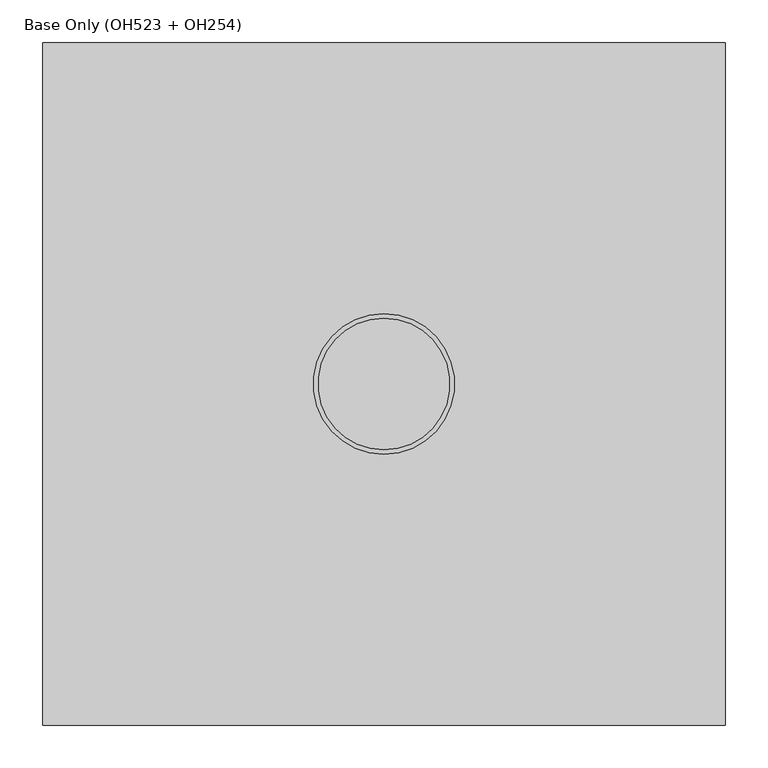
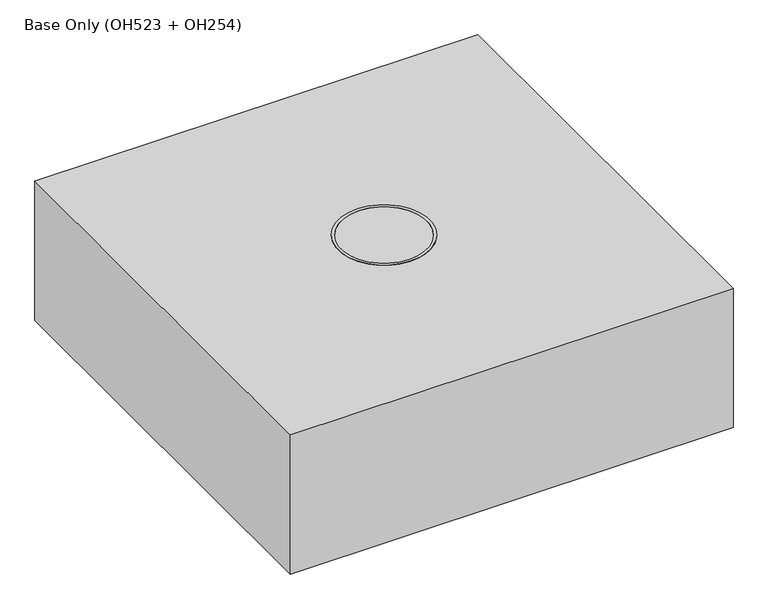
"""IFC4 building model written with IfcOpenShell, lengths in millimetres: proxy geometry, Base Only (OH523 + OH254)."""

from ifc_helpers import new_model, si_unit, frame, origin, origin_with_axes, place, context, project, spatial, polyline, circle_curve, outline, extrude, source, transform, mapped, element, save
from ifc_brep_helpers import plane_surface, cylinder_surface, revolved_surface, advanced_brep


def base_only_oh523_oh254_0311ad5f(model_context):
    return source(origin(), model_context, "Body", "SolidModel", [
        advanced_brep(
        [(180.0, 200.0, 16.0), (-180.0, 200.0, 16.0), (-200.0, 180.0, 16.0), (-200.0, -180.0, 16.0), (-180.0, -200.0, 16.0), (180.0, -200.0, 16.0), (200.0, -180.0, 16.0), (200.0, 180.0, 16.0), (-150.0, -141.0, 16.0), (-150.0, -159.0, 16.0), (-150.0, 159.0, 16.0), (-150.0, 141.0, 16.0), (150.0, -141.0, 16.0), (150.0, -159.0, 16.0), (150.0, 159.0, 16.0), (150.0, 141.0, 16.0), (-87.5021074, 10.5, 16.0), (-187.4978926, 10.5, 16.0), (-187.4978926, 22.5, 16.0), (-87.5021074, 22.5, 16.0), (187.4978926, 10.5, 16.0), (87.5021074, 10.5, 16.0), (87.5021074, 22.5, 16.0), (187.4978926, 22.5, 16.0), (-187.4978926, -10.5, 16.0), (-87.5021074, -10.5, 16.0), (-87.5021074, -22.5, 16.0), (-187.4978926, -22.5, 16.0), (87.5021074, -10.5, 16.0), (187.4978926, -10.5, 16.0), (187.4978926, -22.5, 16.0), (87.5021074, -22.5, 16.0), (10.0, -187.4978926, 16.0), (10.0, -87.5021074, 16.0), (22.5, -87.5021074, 16.0), (22.5, -187.4978926, 16.0), (10.0, 87.5021074, 16.0), (10.0, 187.4978926, 16.0), (22.5, 187.4978926, 16.0), (22.5, 87.5021074, 16.0), (-10.0, -87.5021074, 16.0), (-10.0, -187.4978926, 16.0), (-22.5, -187.4978926, 16.0), (-22.5, -87.5021074, 16.0), (-10.0, 187.4978926, 16.0), (-10.0, 87.5021074, 16.0), (-22.5, 87.5021074, 16.0), (-22.5, 187.4978926, 16.0), (180.0, 200.0, 0.0), (200.0, 180.0, 0.0), (200.0, -180.0, 0.0), (180.0, -200.0, 0.0), (-180.0, -200.0, 0.0), (-200.0, -180.0, 0.0), (-200.0, 180.0, 0.0), (-180.0, 200.0, 0.0), (-150.0, -141.0, 0.0), (-150.0, -159.0, 0.0), (-150.0, 159.0, 0.0), (-150.0, 141.0, 0.0), (150.0, -141.0, 0.0), (150.0, -159.0, 0.0), (150.0, 159.0, 0.0), (150.0, 141.0, 0.0), (-120.3193518, 10.5, 62.8678822), (-124.415112, 10.5, 65.0), (-150.584888, 10.5, 65.0), (-154.6806482, 10.5, 62.8678822), (-146.75, 10.5, 41.0), (-128.35, 10.5, 41.0), (154.6806482, 10.5, 62.8678822), (150.584888, 10.5, 65.0), (124.415112, 10.5, 65.0), (120.3193518, 10.5, 62.8678822), (128.35, 10.5, 41.0), (146.75, 10.5, 41.0), (-154.6806482, 22.5, 62.8678822), (-150.584888, 22.5, 65.0), (-124.415112, 22.5, 65.0), (-120.3193518, 22.5, 62.8678822), (-146.75, 22.5, 41.0), (-128.35, 22.5, 41.0), (120.3193518, 22.5, 62.8678822), (124.415112, 22.5, 65.0), (150.584888, 22.5, 65.0), (154.6806482, 22.5, 62.8678822), (128.35, 22.5, 41.0), (146.75, 22.5, 41.0), (-154.6806482, -10.5, 62.8678822), (-150.584888, -10.5, 65.0), (-124.415112, -10.5, 65.0), (-120.3193518, -10.5, 62.8678822), (-146.75, -10.5, 41.0), (-128.35, -10.5, 41.0), (120.3193518, -10.5, 62.8678822), (124.415112, -10.5, 65.0), (150.584888, -10.5, 65.0), (154.6806482, -10.5, 62.8678822), (128.35, -10.5, 41.0), (146.75, -10.5, 41.0), (-120.3193518, -22.5, 62.8678822), (-124.415112, -22.5, 65.0), (-150.584888, -22.5, 65.0), (-154.6806482, -22.5, 62.8678822), (-146.75, -22.5, 41.0), (-128.35, -22.5, 41.0), (154.6806482, -22.5, 62.8678822), (150.584888, -22.5, 65.0), (124.415112, -22.5, 65.0), (120.3193518, -22.5, 62.8678822), (128.35, -22.5, 41.0), (146.75, -22.5, 41.0), (10.0, -154.6806482, 62.8678822), (10.0, -150.584888, 65.0), (10.0, -124.415112, 65.0), (10.0, -120.3193518, 62.8678822), (10.0, -146.75, 41.0), (10.0, -128.35, 41.0), (10.0, 120.3193518, 62.8678822), (10.0, 124.415112, 65.0), (10.0, 150.584888, 65.0), (10.0, 154.6806482, 62.8678822), (10.0, 128.35, 41.0), (10.0, 146.75, 41.0), (22.5, -120.3193518, 62.8678822), (22.5, -124.415112, 65.0), (22.5, -150.584888, 65.0), (22.5, -154.6806482, 62.8678822), (22.5, -146.75, 41.0), (22.5, -128.35, 41.0), (22.5, 154.6806482, 62.8678822), (22.5, 150.584888, 65.0), (22.5, 124.415112, 65.0), (22.5, 120.3193518, 62.8678822), (22.5, 128.35, 41.0), (22.5, 146.75, 41.0), (-10.0, -120.3193518, 62.8678822), (-10.0, -124.415112, 65.0), (-10.0, -150.584888, 65.0), (-10.0, -154.6806482, 62.8678822), (-10.0, -146.75, 41.0), (-10.0, -128.35, 41.0), (-10.0, 154.6806482, 62.8678822), (-10.0, 150.584888, 65.0), (-10.0, 124.415112, 65.0), (-10.0, 120.3193518, 62.8678822), (-10.0, 128.35, 41.0), (-10.0, 146.75, 41.0), (-22.5, -154.6806482, 62.8678822), (-22.5, -150.584888, 65.0), (-22.5, -124.415112, 65.0), (-22.5, -120.3193518, 62.8678822), (-22.5, -146.75, 41.0), (-22.5, -128.35, 41.0), (-22.5, 120.3193518, 62.8678822), (-22.5, 124.415112, 65.0), (-22.5, 150.584888, 65.0), (-22.5, 154.6806482, 62.8678822), (-22.5, 128.35, 41.0), (-22.5, 146.75, 41.0)],
        [
            (0, 1),
            (1, 2, circle_curve(frame((-180.0, 180.0, 16.0), z_axis=(0.0, 0.0, 1.0), x_axis=(0.0, -1.0, 0.0)), 20.0)),
            (2, 3),
            (3, 4, circle_curve(frame((-180.0, -180.0, 16.0), z_axis=(0.0, 0.0, 1.0), x_axis=(0.0, -1.0, 0.0)), 20.0)),
            (4, 5),
            (5, 6, circle_curve(frame((180.0, -180.0, 16.0), z_axis=(0.0, 0.0, 1.0), x_axis=(0.0, -1.0, 0.0)), 20.0)),
            (6, 7),
            (7, 0, circle_curve(frame((180.0, 180.0, 16.0), z_axis=(0.0, 0.0, 1.0), x_axis=(0.0, -1.0, 0.0)), 20.0)),
            (8, 9, circle_curve(frame((-150.0, -150.0, 16.0), z_axis=(0.0, 0.0, -1.0), x_axis=(0.0, -1.0, 0.0)), 9.0)),
            (9, 8, circle_curve(frame((-150.0, -150.0, 16.0), z_axis=(0.0, 0.0, -1.0), x_axis=(0.0, -1.0, 0.0)), 9.0)),
            (10, 11, circle_curve(frame((-150.0, 150.0, 16.0), z_axis=(0.0, 0.0, -1.0), x_axis=(0.0, -1.0, 0.0)), 9.0)),
            (11, 10, circle_curve(frame((-150.0, 150.0, 16.0), z_axis=(0.0, 0.0, -1.0), x_axis=(0.0, -1.0, 0.0)), 9.0)),
            (12, 13, circle_curve(frame((150.0, -150.0, 16.0), z_axis=(0.0, 0.0, -1.0), x_axis=(0.0, -1.0, 0.0)), 9.0)),
            (13, 12, circle_curve(frame((150.0, -150.0, 16.0), z_axis=(0.0, 0.0, -1.0), x_axis=(0.0, -1.0, 0.0)), 9.0)),
            (14, 15, circle_curve(frame((150.0, 150.0, 16.0), z_axis=(0.0, 0.0, -1.0), x_axis=(0.0, -1.0, 0.0)), 9.0)),
            (15, 14, circle_curve(frame((150.0, 150.0, 16.0), z_axis=(0.0, 0.0, -1.0), x_axis=(0.0, -1.0, 0.0)), 9.0)),
            (16, 17),
            (17, 18),
            (18, 19),
            (19, 16),
            (20, 21),
            (21, 22),
            (22, 23),
            (23, 20),
            (24, 25),
            (25, 26),
            (26, 27),
            (27, 24),
            (28, 29),
            (29, 30),
            (30, 31),
            (31, 28),
            (32, 33),
            (33, 34),
            (34, 35),
            (35, 32),
            (36, 37),
            (37, 38),
            (38, 39),
            (39, 36),
            (40, 41),
            (41, 42),
            (42, 43),
            (43, 40),
            (44, 45),
            (45, 46),
            (46, 47),
            (47, 44),
            (48, 49, circle_curve(frame((180.0, 180.0, 0.0), z_axis=(0.0, 0.0, -1.0), x_axis=(0.0, -1.0, 0.0)), 20.0)),
            (49, 50),
            (50, 51, circle_curve(frame((180.0, -180.0, 0.0), z_axis=(0.0, 0.0, -1.0), x_axis=(0.0, -1.0, 0.0)), 20.0)),
            (51, 52),
            (52, 53, circle_curve(frame((-180.0, -180.0, 0.0), z_axis=(0.0, 0.0, -1.0), x_axis=(0.0, -1.0, 0.0)), 20.0)),
            (53, 54),
            (54, 55, circle_curve(frame((-180.0, 180.0, 0.0), z_axis=(0.0, 0.0, -1.0), x_axis=(0.0, -1.0, 0.0)), 20.0)),
            (55, 48),
            (56, 57, circle_curve(frame((-150.0, -150.0, 0.0), z_axis=(0.0, 0.0, 1.0), x_axis=(0.0, -1.0, 0.0)), 9.0)),
            (57, 56, circle_curve(frame((-150.0, -150.0, 0.0), z_axis=(0.0, 0.0, 1.0), x_axis=(0.0, -1.0, 0.0)), 9.0)),
            (58, 59, circle_curve(frame((-150.0, 150.0, 0.0), z_axis=(0.0, 0.0, 1.0), x_axis=(0.0, -1.0, 0.0)), 9.0)),
            (59, 58, circle_curve(frame((-150.0, 150.0, 0.0), z_axis=(0.0, 0.0, 1.0), x_axis=(0.0, -1.0, 0.0)), 9.0)),
            (60, 61, circle_curve(frame((150.0, -150.0, 0.0), z_axis=(0.0, 0.0, 1.0), x_axis=(0.0, -1.0, 0.0)), 9.0)),
            (61, 60, circle_curve(frame((150.0, -150.0, 0.0), z_axis=(0.0, 0.0, 1.0), x_axis=(0.0, -1.0, 0.0)), 9.0)),
            (62, 63, circle_curve(frame((150.0, 150.0, 0.0), z_axis=(0.0, 0.0, 1.0), x_axis=(0.0, -1.0, 0.0)), 9.0)),
            (63, 62, circle_curve(frame((150.0, 150.0, 0.0), z_axis=(0.0, 0.0, 1.0), x_axis=(0.0, -1.0, 0.0)), 9.0)),
            (0, 48),
            (55, 1),
            (54, 2),
            (53, 3),
            (52, 4),
            (51, 5),
            (50, 6),
            (49, 7),
            (8, 56),
            (57, 9),
            (10, 58),
            (59, 11),
            (12, 60),
            (61, 13),
            (14, 62),
            (63, 15),
            (16, 64),
            (64, 65, circle_curve(frame((-124.415112, 10.5, 60.0), z_axis=(0.0, -1.0, 0.0), x_axis=(1.0, 0.0, 0.0)), 5.0)),
            (65, 66),
            (66, 67, circle_curve(frame((-150.584888, 10.5, 60.0), z_axis=(0.0, -1.0, 0.0), x_axis=(1.0, 0.0, 0.0)), 5.0)),
            (67, 17),
            (68, 69, circle_curve(frame((-137.55, 10.5, 41.0), z_axis=(0.0, 1.0, 0.0), x_axis=(1.0, 0.0, 0.0)), 9.2)),
            (69, 68, circle_curve(frame((-137.55, 10.5, 41.0), z_axis=(0.0, 1.0, 0.0), x_axis=(1.0, 0.0, 0.0)), 9.2)),
            (20, 70),
            (70, 71, circle_curve(frame((150.584888, 10.5, 60.0), z_axis=(0.0, -1.0, 0.0), x_axis=(1.0, 0.0, 0.0)), 5.0)),
            (71, 72),
            (72, 73, circle_curve(frame((124.415112, 10.5, 60.0), z_axis=(0.0, -1.0, 0.0), x_axis=(1.0, 0.0, 0.0)), 5.0)),
            (73, 21),
            (74, 75, circle_curve(frame((137.55, 10.5, 41.0), z_axis=(0.0, 1.0, 0.0), x_axis=(1.0, 0.0, 0.0)), 9.2)),
            (75, 74, circle_curve(frame((137.55, 10.5, 41.0), z_axis=(0.0, 1.0, 0.0), x_axis=(1.0, 0.0, 0.0)), 9.2)),
            (18, 76),
            (76, 77, circle_curve(frame((-150.584888, 22.5, 60.0), z_axis=(0.0, 1.0, 0.0), x_axis=(1.0, 0.0, 0.0)), 5.0)),
            (77, 78),
            (78, 79, circle_curve(frame((-124.415112, 22.5, 60.0), z_axis=(0.0, 1.0, 0.0), x_axis=(1.0, 0.0, 0.0)), 5.0)),
            (79, 19),
            (80, 81, circle_curve(frame((-137.55, 22.5, 41.0), z_axis=(0.0, -1.0, 0.0), x_axis=(1.0, 0.0, 0.0)), 9.2)),
            (81, 80, circle_curve(frame((-137.55, 22.5, 41.0), z_axis=(0.0, -1.0, 0.0), x_axis=(1.0, 0.0, 0.0)), 9.2)),
            (22, 82),
            (82, 83, circle_curve(frame((124.415112, 22.5, 60.0), z_axis=(0.0, 1.0, 0.0), x_axis=(1.0, 0.0, 0.0)), 5.0)),
            (83, 84),
            (84, 85, circle_curve(frame((150.584888, 22.5, 60.0), z_axis=(0.0, 1.0, 0.0), x_axis=(1.0, 0.0, 0.0)), 5.0)),
            (85, 23),
            (86, 87, circle_curve(frame((137.55, 22.5, 41.0), z_axis=(0.0, -1.0, 0.0), x_axis=(1.0, 0.0, 0.0)), 9.2)),
            (87, 86, circle_curve(frame((137.55, 22.5, 41.0), z_axis=(0.0, -1.0, 0.0), x_axis=(1.0, 0.0, 0.0)), 9.2)),
            (79, 64),
            (78, 65),
            (77, 66),
            (76, 67),
            (85, 70),
            (84, 71),
            (83, 72),
            (82, 73),
            (68, 80),
            (81, 69),
            (74, 86),
            (87, 75),
            (24, 88),
            (88, 89, circle_curve(frame((-150.584888, -10.5, 60.0), z_axis=(0.0, 1.0, 0.0), x_axis=(1.0, 0.0, 0.0)), 5.0)),
            (89, 90),
            (90, 91, circle_curve(frame((-124.415112, -10.5, 60.0), z_axis=(0.0, 1.0, 0.0), x_axis=(1.0, 0.0, 0.0)), 5.0)),
            (91, 25),
            (92, 93, circle_curve(frame((-137.55, -10.5, 41.0), z_axis=(0.0, -1.0, 0.0), x_axis=(1.0, 0.0, 0.0)), 9.2)),
            (93, 92, circle_curve(frame((-137.55, -10.5, 41.0), z_axis=(0.0, -1.0, 0.0), x_axis=(1.0, 0.0, 0.0)), 9.2)),
            (28, 94),
            (94, 95, circle_curve(frame((124.415112, -10.5, 60.0), z_axis=(0.0, 1.0, 0.0), x_axis=(1.0, 0.0, 0.0)), 5.0)),
            (95, 96),
            (96, 97, circle_curve(frame((150.584888, -10.5, 60.0), z_axis=(0.0, 1.0, 0.0), x_axis=(1.0, 0.0, 0.0)), 5.0)),
            (97, 29),
            (98, 99, circle_curve(frame((137.55, -10.5, 41.0), z_axis=(0.0, -1.0, 0.0), x_axis=(1.0, 0.0, 0.0)), 9.2)),
            (99, 98, circle_curve(frame((137.55, -10.5, 41.0), z_axis=(0.0, -1.0, 0.0), x_axis=(1.0, 0.0, 0.0)), 9.2)),
            (26, 100),
            (100, 101, circle_curve(frame((-124.415112, -22.5, 60.0), z_axis=(0.0, -1.0, 0.0), x_axis=(1.0, 0.0, 0.0)), 5.0)),
            (101, 102),
            (102, 103, circle_curve(frame((-150.584888, -22.5, 60.0), z_axis=(0.0, -1.0, 0.0), x_axis=(1.0, 0.0, 0.0)), 5.0)),
            (103, 27),
            (104, 105, circle_curve(frame((-137.55, -22.5, 41.0), z_axis=(0.0, 1.0, 0.0), x_axis=(1.0, 0.0, 0.0)), 9.2)),
            (105, 104, circle_curve(frame((-137.55, -22.5, 41.0), z_axis=(0.0, 1.0, 0.0), x_axis=(1.0, 0.0, 0.0)), 9.2)),
            (30, 106),
            (106, 107, circle_curve(frame((150.584888, -22.5, 60.0), z_axis=(0.0, -1.0, 0.0), x_axis=(1.0, 0.0, 0.0)), 5.0)),
            (107, 108),
            (108, 109, circle_curve(frame((124.415112, -22.5, 60.0), z_axis=(0.0, -1.0, 0.0), x_axis=(1.0, 0.0, 0.0)), 5.0)),
            (109, 31),
            (110, 111, circle_curve(frame((137.55, -22.5, 41.0), z_axis=(0.0, 1.0, 0.0), x_axis=(1.0, 0.0, 0.0)), 9.2)),
            (111, 110, circle_curve(frame((137.55, -22.5, 41.0), z_axis=(0.0, 1.0, 0.0), x_axis=(1.0, 0.0, 0.0)), 9.2)),
            (91, 100),
            (90, 101),
            (89, 102),
            (88, 103),
            (97, 106),
            (96, 107),
            (95, 108),
            (94, 109),
            (93, 105),
            (104, 92),
            (99, 111),
            (110, 98),
            (32, 112),
            (112, 113, circle_curve(frame((10.0, -150.584888, 60.0), z_axis=(-1.0, 0.0, 0.0), x_axis=(0.0, 1.0, 0.0)), 5.0)),
            (113, 114),
            (114, 115, circle_curve(frame((10.0, -124.415112, 60.0), z_axis=(-1.0, 0.0, 0.0), x_axis=(0.0, 1.0, 0.0)), 5.0)),
            (115, 33),
            (116, 117, circle_curve(frame((10.0, -137.55, 41.0), z_axis=(1.0, 0.0, 0.0), x_axis=(0.0, 1.0, 0.0)), 9.2)),
            (117, 116, circle_curve(frame((10.0, -137.55, 41.0), z_axis=(1.0, 0.0, 0.0), x_axis=(0.0, 1.0, 0.0)), 9.2)),
            (36, 118),
            (118, 119, circle_curve(frame((10.0, 124.415112, 60.0), z_axis=(-1.0, 0.0, 0.0), x_axis=(0.0, 1.0, 0.0)), 5.0)),
            (119, 120),
            (120, 121, circle_curve(frame((10.0, 150.584888, 60.0), z_axis=(-1.0, 0.0, 0.0), x_axis=(0.0, 1.0, 0.0)), 5.0)),
            (121, 37),
            (122, 123, circle_curve(frame((10.0, 137.55, 41.0), z_axis=(1.0, 0.0, 0.0), x_axis=(0.0, 1.0, 0.0)), 9.2)),
            (123, 122, circle_curve(frame((10.0, 137.55, 41.0), z_axis=(1.0, 0.0, 0.0), x_axis=(0.0, 1.0, 0.0)), 9.2)),
            (34, 124),
            (124, 125, circle_curve(frame((22.5, -124.415112, 60.0), z_axis=(1.0, 0.0, 0.0), x_axis=(0.0, 1.0, 0.0)), 5.0)),
            (125, 126),
            (126, 127, circle_curve(frame((22.5, -150.584888, 60.0), z_axis=(1.0, 0.0, 0.0), x_axis=(0.0, 1.0, 0.0)), 5.0)),
            (127, 35),
            (128, 129, circle_curve(frame((22.5, -137.55, 41.0), z_axis=(-1.0, 0.0, 0.0), x_axis=(0.0, 1.0, 0.0)), 9.2)),
            (129, 128, circle_curve(frame((22.5, -137.55, 41.0), z_axis=(-1.0, 0.0, 0.0), x_axis=(0.0, 1.0, 0.0)), 9.2)),
            (38, 130),
            (130, 131, circle_curve(frame((22.5, 150.584888, 60.0), z_axis=(1.0, 0.0, 0.0), x_axis=(0.0, 1.0, 0.0)), 5.0)),
            (131, 132),
            (132, 133, circle_curve(frame((22.5, 124.415112, 60.0), z_axis=(1.0, 0.0, 0.0), x_axis=(0.0, 1.0, 0.0)), 5.0)),
            (133, 39),
            (134, 135, circle_curve(frame((22.5, 137.55, 41.0), z_axis=(-1.0, 0.0, 0.0), x_axis=(0.0, 1.0, 0.0)), 9.2)),
            (135, 134, circle_curve(frame((22.5, 137.55, 41.0), z_axis=(-1.0, 0.0, 0.0), x_axis=(0.0, 1.0, 0.0)), 9.2)),
            (115, 124),
            (114, 125),
            (113, 126),
            (112, 127),
            (121, 130),
            (120, 131),
            (119, 132),
            (118, 133),
            (117, 129),
            (128, 116),
            (123, 135),
            (134, 122),
            (40, 136),
            (136, 137, circle_curve(frame((-10.0, -124.415112, 60.0), z_axis=(1.0, 0.0, 0.0), x_axis=(0.0, 1.0, 0.0)), 5.0)),
            (137, 138),
            (138, 139, circle_curve(frame((-10.0, -150.584888, 60.0), z_axis=(1.0, 0.0, 0.0), x_axis=(0.0, 1.0, 0.0)), 5.0)),
            (139, 41),
            (140, 141, circle_curve(frame((-10.0, -137.55, 41.0), z_axis=(-1.0, 0.0, 0.0), x_axis=(0.0, 1.0, 0.0)), 9.2)),
            (141, 140, circle_curve(frame((-10.0, -137.55, 41.0), z_axis=(-1.0, 0.0, 0.0), x_axis=(0.0, 1.0, 0.0)), 9.2)),
            (44, 142),
            (142, 143, circle_curve(frame((-10.0, 150.584888, 60.0), z_axis=(1.0, 0.0, 0.0), x_axis=(0.0, 1.0, 0.0)), 5.0)),
            (143, 144),
            (144, 145, circle_curve(frame((-10.0, 124.415112, 60.0), z_axis=(1.0, 0.0, 0.0), x_axis=(0.0, 1.0, 0.0)), 5.0)),
            (145, 45),
            (146, 147, circle_curve(frame((-10.0, 137.55, 41.0), z_axis=(-1.0, 0.0, 0.0), x_axis=(0.0, 1.0, 0.0)), 9.2)),
            (147, 146, circle_curve(frame((-10.0, 137.55, 41.0), z_axis=(-1.0, 0.0, 0.0), x_axis=(0.0, 1.0, 0.0)), 9.2)),
            (42, 148),
            (148, 149, circle_curve(frame((-22.5, -150.584888, 60.0), z_axis=(-1.0, 0.0, 0.0), x_axis=(0.0, 1.0, 0.0)), 5.0)),
            (149, 150),
            (150, 151, circle_curve(frame((-22.5, -124.415112, 60.0), z_axis=(-1.0, 0.0, 0.0), x_axis=(0.0, 1.0, 0.0)), 5.0)),
            (151, 43),
            (152, 153, circle_curve(frame((-22.5, -137.55, 41.0), z_axis=(1.0, 0.0, 0.0), x_axis=(0.0, 1.0, 0.0)), 9.2)),
            (153, 152, circle_curve(frame((-22.5, -137.55, 41.0), z_axis=(1.0, 0.0, 0.0), x_axis=(0.0, 1.0, 0.0)), 9.2)),
            (46, 154),
            (154, 155, circle_curve(frame((-22.5, 124.415112, 60.0), z_axis=(-1.0, 0.0, 0.0), x_axis=(0.0, 1.0, 0.0)), 5.0)),
            (155, 156),
            (156, 157, circle_curve(frame((-22.5, 150.584888, 60.0), z_axis=(-1.0, 0.0, 0.0), x_axis=(0.0, 1.0, 0.0)), 5.0)),
            (157, 47),
            (158, 159, circle_curve(frame((-22.5, 137.55, 41.0), z_axis=(1.0, 0.0, 0.0), x_axis=(0.0, 1.0, 0.0)), 9.2)),
            (159, 158, circle_curve(frame((-22.5, 137.55, 41.0), z_axis=(1.0, 0.0, 0.0), x_axis=(0.0, 1.0, 0.0)), 9.2)),
            (151, 136),
            (150, 137),
            (149, 138),
            (148, 139),
            (157, 142),
            (156, 143),
            (155, 144),
            (154, 145),
            (140, 152),
            (153, 141),
            (146, 158),
            (159, 147),
        ],
        [
            plane_surface(frame((-180.0, 200.0, 16.0), z_axis=(0.0, 0.0, 1.0), x_axis=(-1.0, 0.0, 0.0))),
            plane_surface(frame((-180.0, 200.0, 0.0), z_axis=(0.0, 0.0, -1.0), x_axis=(1.0, 0.0, 0.0))),
            plane_surface(frame((180.0, 200.0, 16.0), z_axis=(0.0, 1.0, 0.0), x_axis=(0.0, 0.0, -1.0))),
            cylinder_surface(frame((-180.0, 180.0, 0.0), z_axis=(0.0, 0.0, 1.0), x_axis=(0.0, -1.0, 0.0)), 20.0),
            plane_surface(frame((-200.0, 180.0, 16.0), z_axis=(-1.0, 0.0, 0.0), x_axis=(0.0, 0.0, -1.0))),
            cylinder_surface(frame((-180.0, -180.0, 0.0), z_axis=(0.0, 0.0, 1.0), x_axis=(0.0, -1.0, 0.0)), 20.0),
            plane_surface(frame((-180.0, -200.0, 16.0), z_axis=(0.0, -1.0, 0.0), x_axis=(0.0, 0.0, -1.0))),
            cylinder_surface(frame((180.0, -180.0, 0.0), z_axis=(0.0, 0.0, 1.0), x_axis=(0.0, -1.0, 0.0)), 20.0),
            plane_surface(frame((200.0, -180.0, 16.0), z_axis=(1.0, 0.0, 0.0), x_axis=(0.0, 0.0, -1.0))),
            cylinder_surface(frame((180.0, 180.0, 0.0), z_axis=(0.0, 0.0, 1.0), x_axis=(0.0, -1.0, 0.0)), 20.0),
            revolved_surface(polyline([(-150.0, -159.0, 0.0), (-150.0, -159.0, 16.0)]), (-150.0, -150.0, 0.0), (0.0, 0.0, -1.0)),
            revolved_surface(polyline([(-150.0, 141.0, 0.0), (-150.0, 141.0, 16.0)]), (-150.0, 150.0, 0.0), (0.0, 0.0, -1.0)),
            revolved_surface(polyline([(150.0, -159.0, 0.0), (150.0, -159.0, 16.0)]), (150.0, -150.0, 0.0), (0.0, 0.0, -1.0)),
            revolved_surface(polyline([(150.0, 141.0, 0.0), (150.0, 141.0, 16.0)]), (150.0, 150.0, 0.0), (0.0, 0.0, -1.0)),
            plane_surface(frame((-187.4978926, 10.5, 16.0), z_axis=(0.0, -1.0, 0.0), x_axis=(1.0, 0.0, 0.0))),
            plane_surface(frame((-187.4978926, 22.5, 16.0), z_axis=(0.0, 1.0, 0.0), x_axis=(-1.0, 0.0, 0.0))),
            plane_surface(frame((-87.5021074, 10.5, 16.0), z_axis=(0.819152044289008, 0.0, 0.5735764363510231), x_axis=(0.0, 1.0, 0.0))),
            cylinder_surface(frame((-124.415112, 22.5, 60.0), z_axis=(0.0, -1.0, 0.0), x_axis=(1.0, 0.0, 0.0)), 5.0),
            plane_surface(frame((-124.415112, 10.5, 65.0), z_axis=(0.0, 0.0, 1.0), x_axis=(0.0, 1.0, 0.0))),
            cylinder_surface(frame((-150.584888, 22.5, 60.0), z_axis=(0.0, -1.0, 0.0), x_axis=(1.0, 0.0, 0.0)), 5.0),
            plane_surface(frame((-154.6806482, 10.5, 62.8678822), z_axis=(-0.8191520442889948, 0.0, 0.5735764363510419), x_axis=(0.0, 1.0, 0.0))),
            plane_surface(frame((187.4978926, 10.5, 16.0), z_axis=(0.8191520442889941, 0.0, 0.5735764363510429), x_axis=(0.0, 1.0, 0.0))),
            cylinder_surface(frame((150.584888, 0.0, 60.0), z_axis=(0.0, -1.0, 0.0), x_axis=(1.0, 0.0, 0.0)), 5.0),
            plane_surface(frame((150.584888, 10.5, 65.0), z_axis=(0.0, 0.0, 1.0), x_axis=(0.0, 1.0, 0.0))),
            cylinder_surface(frame((124.415112, 0.0, 60.0), z_axis=(0.0, -1.0, 0.0), x_axis=(1.0, 0.0, 0.0)), 5.0),
            plane_surface(frame((120.3193518, 10.5, 62.8678822), z_axis=(-0.819152044289007, 0.0, 0.5735764363510244), x_axis=(0.0, 1.0, 0.0))),
            revolved_surface(polyline([(-128.35000000000002, 22.5, 41.0), (-128.35000000000002, 10.5, 41.0)]), (-137.55, 0.0, 41.0), (0.0, 1.0, 0.0)),
            revolved_surface(polyline([(146.75, 22.5, 41.0), (146.75, 10.5, 41.0)]), (137.55, 0.0, 41.0), (0.0, 1.0, 0.0)),
            plane_surface(frame((-187.4978926, -10.5, 16.0), z_axis=(0.0, 1.0, 0.0), x_axis=(-1.0, 0.0, 0.0))),
            plane_surface(frame((-187.4978926, -22.5, 16.0), z_axis=(0.0, -1.0, 0.0), x_axis=(1.0, 0.0, 0.0))),
            plane_surface(frame((-87.5021074, -22.5, 16.0), z_axis=(0.8191520442890076, 0.0, 0.5735764363510237), x_axis=(0.0, 1.0, 0.0))),
            cylinder_surface(frame((-124.415112, -10.5, 60.0), z_axis=(0.0, -1.0, 0.0), x_axis=(1.0, 0.0, 0.0)), 5.0),
            plane_surface(frame((-124.415112, -22.5, 65.0), z_axis=(0.0, 0.0, 1.0), x_axis=(0.0, 1.0, 0.0))),
            cylinder_surface(frame((-150.584888, -10.5, 60.0), z_axis=(0.0, -1.0, 0.0), x_axis=(1.0, 0.0, 0.0)), 5.0),
            plane_surface(frame((-154.6806482, -22.5, 62.8678822), z_axis=(-0.8191520442889947, 0.0, 0.5735764363510422), x_axis=(0.0, 1.0, 0.0))),
            plane_surface(frame((187.4978926, -22.5, 16.0), z_axis=(0.819152044288995, 0.0, 0.5735764363510416), x_axis=(0.0, 1.0, 0.0))),
            plane_surface(frame((150.584888, -22.5, 65.0), z_axis=(0.0, 0.0, 1.0), x_axis=(0.0, 1.0, 0.0))),
            plane_surface(frame((120.3193518, -22.5, 62.8678822), z_axis=(-0.8191520442890086, 0.0, 0.5735764363510222), x_axis=(0.0, 1.0, 0.0))),
            revolved_surface(polyline([(-128.35000000000002, -10.5, 41.0), (-128.35000000000002, -22.5, 41.0)]), (-137.55, 0.0, 41.0), (0.0, 1.0, 0.0)),
            revolved_surface(polyline([(146.75, -10.5, 41.0), (146.75, -22.5, 41.0)]), (137.55, 0.0, 41.0), (0.0, 1.0, 0.0)),
            plane_surface(frame((10.0, -187.4978926, 16.0), z_axis=(-1.0, 0.0, 0.0), x_axis=(0.0, -1.0, 0.0))),
            plane_surface(frame((22.5, -187.4978926, 16.0), z_axis=(1.0, 0.0, 0.0), x_axis=(0.0, 1.0, 0.0))),
            plane_surface(frame((22.5, -87.5021074, 16.0), z_axis=(0.0, 0.819152044289008, 0.5735764363510228), x_axis=(-1.0, 0.0, 0.0))),
            cylinder_surface(frame((10.0, -124.415112, 60.0), z_axis=(1.0, 0.0, 0.0), x_axis=(0.0, 1.0, 0.0)), 5.0),
            plane_surface(frame((22.5, -124.415112, 65.0), z_axis=(0.0, 0.0, 1.0), x_axis=(-1.0, 0.0, 0.0))),
            cylinder_surface(frame((10.0, -150.584888, 60.0), z_axis=(1.0, 0.0, 0.0), x_axis=(0.0, 1.0, 0.0)), 5.0),
            plane_surface(frame((22.5, -154.6806482, 62.8678822), z_axis=(0.0, -0.8191520442889935, 0.5735764363510437), x_axis=(-1.0, 0.0, 0.0))),
            plane_surface(frame((22.5, 187.4978926, 16.0), z_axis=(0.0, 0.8191520442889938, 0.5735764363510434), x_axis=(-1.0, 0.0, 0.0))),
            cylinder_surface(frame((0.0, 150.584888, 60.0), z_axis=(1.0, 0.0, 0.0), x_axis=(0.0, 1.0, 0.0)), 5.0),
            plane_surface(frame((22.5, 150.584888, 65.0), z_axis=(0.0, 0.0, 1.0), x_axis=(-1.0, 0.0, 0.0))),
            cylinder_surface(frame((0.0, 124.415112, 60.0), z_axis=(1.0, 0.0, 0.0), x_axis=(0.0, 1.0, 0.0)), 5.0),
            plane_surface(frame((22.5, 120.3193518, 62.8678822), z_axis=(0.0, -0.8191520442890087, 0.5735764363510221), x_axis=(-1.0, 0.0, 0.0))),
            revolved_surface(polyline([(10.0, -128.35000000000002, 41.0), (22.5, -128.35000000000002, 41.0)]), (0.0, -137.55, 41.0), (-1.0, 0.0, 0.0)),
            revolved_surface(polyline([(10.0, 146.75, 41.0), (22.5, 146.75, 41.0)]), (0.0, 137.55, 41.0), (-1.0, 0.0, 0.0)),
            plane_surface(frame((-10.0, -187.4978926, 16.0), z_axis=(1.0, 0.0, 0.0), x_axis=(0.0, 1.0, 0.0))),
            plane_surface(frame((-22.5, -187.4978926, 16.0), z_axis=(-1.0, 0.0, 0.0), x_axis=(0.0, -1.0, 0.0))),
            plane_surface(frame((-10.0, -87.5021074, 16.0), z_axis=(0.0, 0.819152044289007, 0.5735764363510245), x_axis=(-1.0, 0.0, 0.0))),
            cylinder_surface(frame((-22.5, -124.415112, 60.0), z_axis=(1.0, 0.0, 0.0), x_axis=(0.0, 1.0, 0.0)), 5.0),
            plane_surface(frame((-10.0, -124.415112, 65.0), z_axis=(0.0, 0.0, 1.0), x_axis=(-1.0, 0.0, 0.0))),
            cylinder_surface(frame((-22.5, -150.584888, 60.0), z_axis=(1.0, 0.0, 0.0), x_axis=(0.0, 1.0, 0.0)), 5.0),
            plane_surface(frame((-10.0, -154.6806482, 62.8678822), z_axis=(0.0, -0.8191520442889938, 0.5735764363510434), x_axis=(-1.0, 0.0, 0.0))),
            plane_surface(frame((-10.0, 187.4978926, 16.0), z_axis=(0.0, 0.8191520442889948, 0.5735764363510419), x_axis=(-1.0, 0.0, 0.0))),
            plane_surface(frame((-10.0, 150.584888, 65.0), z_axis=(0.0, 0.0, 1.0), x_axis=(-1.0, 0.0, 0.0))),
            plane_surface(frame((-10.0, 120.3193518, 62.8678822), z_axis=(0.0, -0.819152044289008, 0.5735764363510228), x_axis=(-1.0, 0.0, 0.0))),
            revolved_surface(polyline([(-22.5, -128.35000000000002, 41.0), (-10.0, -128.35000000000002, 41.0)]), (0.0, -137.55, 41.0), (-1.0, 0.0, 0.0)),
            revolved_surface(polyline([(-22.5, 146.75, 41.0), (-10.0, 146.75, 41.0)]), (0.0, 137.55, 41.0), (-1.0, 0.0, 0.0)),
        ],
        [
            (0, [[1, 2, 3, 4, 5, 6, 7, 8], [9, 10], [11, 12], [13, 14], [15, 16], [17, 18, 19, 20], [21, 22, 23, 24], [25, 26, 27, 28], [29, 30, 31, 32], [33, 34, 35, 36], [37, 38, 39, 40], [41, 42, 43, 44], [45, 46, 47, 48]]),
            (1, [[49, 50, 51, 52, 53, 54, 55, 56], [57, 58], [59, 60], [61, 62], [63, 64]]),
            (2, [[-1, 65, -56, 66]]),
            (3, [[-2, -66, -55, 67]]),
            (4, [[-3, -67, -54, 68]]),
            (5, [[-4, -68, -53, 69]]),
            (6, [[-5, -69, -52, 70]]),
            (7, [[-6, -70, -51, 71]]),
            (8, [[-7, -71, -50, 72]]),
            (9, [[-8, -72, -49, -65]]),
            (10, [[-9, 73, -58, 74]]),
            (10, [[-10, -74, -57, -73]]),
            (11, [[-11, 75, -60, 76]]),
            (11, [[-12, -76, -59, -75]]),
            (12, [[-13, 77, -62, 78]]),
            (12, [[-14, -78, -61, -77]]),
            (13, [[-15, 79, -64, 80]]),
            (13, [[-16, -80, -63, -79]]),
            (14, [[81, 82, 83, 84, 85, -17], [86, 87]]),
            (14, [[88, 89, 90, 91, 92, -21], [93, 94]]),
            (15, [[95, 96, 97, 98, 99, -19], [100, 101]]),
            (15, [[102, 103, 104, 105, 106, -23], [107, 108]]),
            (16, [[-81, -20, -99, 109]]),
            (17, [[-82, -109, -98, 110]]),
            (18, [[-83, -110, -97, 111]]),
            (19, [[-84, -111, -96, 112]]),
            (20, [[-85, -112, -95, -18]]),
            (21, [[-88, -24, -106, 113]]),
            (22, [[-89, -113, -105, 114]]),
            (23, [[-90, -114, -104, 115]]),
            (24, [[-91, -115, -103, 116]]),
            (25, [[-92, -116, -102, -22]]),
            (26, [[-86, 117, -101, 118]]),
            (26, [[-87, -118, -100, -117]]),
            (27, [[-93, 119, -108, 120]]),
            (27, [[-94, -120, -107, -119]]),
            (28, [[121, 122, 123, 124, 125, -25], [126, 127]]),
            (28, [[128, 129, 130, 131, 132, -29], [133, 134]]),
            (29, [[135, 136, 137, 138, 139, -27], [140, 141]]),
            (29, [[142, 143, 144, 145, 146, -31], [147, 148]]),
            (30, [[-125, 149, -135, -26]]),
            (31, [[-124, 150, -136, -149]]),
            (32, [[-123, 151, -137, -150]]),
            (33, [[-122, 152, -138, -151]]),
            (34, [[-121, -28, -139, -152]]),
            (35, [[-132, 153, -142, -30]]),
            (22, [[-131, 154, -143, -153]]),
            (36, [[-130, 155, -144, -154]]),
            (24, [[-129, 156, -145, -155]]),
            (37, [[-128, -32, -146, -156]]),
            (38, [[-127, 157, -140, 158]]),
            (38, [[-126, -158, -141, -157]]),
            (39, [[-134, 159, -147, 160]]),
            (39, [[-133, -160, -148, -159]]),
            (40, [[161, 162, 163, 164, 165, -33], [166, 167]]),
            (40, [[168, 169, 170, 171, 172, -37], [173, 174]]),
            (41, [[175, 176, 177, 178, 179, -35], [180, 181]]),
            (41, [[182, 183, 184, 185, 186, -39], [187, 188]]),
            (42, [[-165, 189, -175, -34]]),
            (43, [[-164, 190, -176, -189]]),
            (44, [[-163, 191, -177, -190]]),
            (45, [[-162, 192, -178, -191]]),
            (46, [[-161, -36, -179, -192]]),
            (47, [[-172, 193, -182, -38]]),
            (48, [[-171, 194, -183, -193]]),
            (49, [[-170, 195, -184, -194]]),
            (50, [[-169, 196, -185, -195]]),
            (51, [[-168, -40, -186, -196]]),
            (52, [[-167, 197, -180, 198]]),
            (52, [[-166, -198, -181, -197]]),
            (53, [[-174, 199, -187, 200]]),
            (53, [[-173, -200, -188, -199]]),
            (54, [[201, 202, 203, 204, 205, -41], [206, 207]]),
            (54, [[208, 209, 210, 211, 212, -45], [213, 214]]),
            (55, [[215, 216, 217, 218, 219, -43], [220, 221]]),
            (55, [[222, 223, 224, 225, 226, -47], [227, 228]]),
            (56, [[-201, -44, -219, 229]]),
            (57, [[-202, -229, -218, 230]]),
            (58, [[-203, -230, -217, 231]]),
            (59, [[-204, -231, -216, 232]]),
            (60, [[-205, -232, -215, -42]]),
            (61, [[-208, -48, -226, 233]]),
            (48, [[-209, -233, -225, 234]]),
            (62, [[-210, -234, -224, 235]]),
            (50, [[-211, -235, -223, 236]]),
            (63, [[-212, -236, -222, -46]]),
            (64, [[-206, 237, -221, 238]]),
            (64, [[-207, -238, -220, -237]]),
            (65, [[-213, 239, -228, 240]]),
            (65, [[-214, -240, -227, -239]]),
        ],
    ),
        advanced_brep(
        [(192.5, 6.0, 16.0), (192.5, -6.0, 16.0), (82.3316616, -6.0, 16.0), (6.0, -82.3316616, 16.0), (6.0, -192.7683384, 16.0), (-6.0, -192.7683384, 16.0), (-6.0, -82.3316616, 16.0), (-82.3316616, -6.0, 16.0), (-192.5, -6.0, 16.0), (-192.5, 6.0, 16.0), (-82.3316616, 6.0, 16.0), (-6.0, 82.3316616, 16.0), (-6.0, 192.7683384, 16.0), (6.0, 192.7683384, 16.0), (6.0, 82.3316616, 16.0), (82.3316616, 6.0, 16.0), (0.0, 77.15, 16.0), (0.0, -77.15, 16.0), (0.0, 82.55, 266.0), (0.0, -82.55, 266.0), (0.0, 77.15, 266.0), (0.0, -77.15, 266.0), (0.0, 82.55, 216.0), (-6.0, 82.3316616, 216.0), (-82.3316616, 6.0, 216.0), (-82.55, 0.0, 216.0), (-82.3316616, -6.0, 216.0), (-6.0, -82.3316616, 216.0), (0.0, -82.55, 216.0), (6.0, -82.3316616, 216.0), (82.3316616, -6.0, 216.0), (82.55, 0.0, 216.0), (82.3316616, 6.0, 216.0), (6.0, 82.3316616, 216.0), (82.55, -6.0, 216.0), (128.35, -6.0, 41.0), (146.75, -6.0, 41.0), (-82.55, -6.0, 216.0), (-146.75, -6.0, 41.0), (-128.35, -6.0, 41.0), (82.55, 6.0, 216.0), (128.35, 6.0, 41.0), (146.75, 6.0, 41.0), (-82.55, 6.0, 216.0), (-146.75, 6.0, 41.0), (-128.35, 6.0, 41.0), (6.0, 192.7683384, 108.2113255), (6.0, 149.7269935, 157.724729), (6.0, 134.968539, 159.7988945), (6.0, 102.2601853, 181.8609576), (6.0, 82.55, 216.0), (6.0, 132.0, 116.0), (6.0, 172.0, 116.0), (6.0, 128.35, 41.0), (6.0, 146.75, 41.0), (6.0, -82.55, 216.0), (6.0, -102.2601853, 181.8609576), (6.0, -134.968539, 159.7988945), (6.0, -149.7269935, 157.724729), (6.0, -192.7683384, 108.2113255), (6.0, -172.0, 116.0), (6.0, -132.0, 116.0), (6.0, -146.75, 41.0), (6.0, -128.35, 41.0), (-6.0, 82.55, 216.0), (-6.0, 102.2601853, 181.8609576), (-6.0, 134.968539, 159.7988945), (-6.0, 149.7269935, 157.724729), (-6.0, 192.7683384, 108.2113255), (-6.0, 132.0, 116.0), (-6.0, 172.0, 116.0), (-6.0, 128.35, 41.0), (-6.0, 146.75, 41.0), (-6.0, -192.7683384, 108.2113255), (-6.0, -149.7269935, 157.724729), (-6.0, -134.968539, 159.7988945), (-6.0, -102.2601853, 181.8609576), (-6.0, -82.55, 216.0), (-6.0, -172.0, 116.0), (-6.0, -132.0, 116.0), (-6.0, -146.75, 41.0), (-6.0, -128.35, 41.0)],
        [
            (0, 1),
            (1, 2),
            (2, 3, circle_curve(frame((0.0, 0.0, 16.0), z_axis=(0.0, 0.0, -1.0), x_axis=(0.0, -1.0, 0.0)), 82.55)),
            (3, 4),
            (4, 5),
            (5, 6),
            (6, 7, circle_curve(frame((0.0, 0.0, 16.0), z_axis=(0.0, 0.0, -1.0), x_axis=(0.0, -1.0, 0.0)), 82.55)),
            (7, 8),
            (8, 9),
            (9, 10),
            (10, 11, circle_curve(frame((0.0, 0.0, 16.0), z_axis=(0.0, 0.0, -1.0), x_axis=(0.0, -1.0, 0.0)), 82.55)),
            (11, 12),
            (12, 13),
            (13, 14),
            (14, 15, circle_curve(frame((0.0, 0.0, 16.0), z_axis=(0.0, 0.0, -1.0), x_axis=(0.0, -1.0, 0.0)), 82.55)),
            (15, 0),
            (16, 17, circle_curve(frame((0.0, 0.0, 16.0), z_axis=(0.0, 0.0, 1.0), x_axis=(0.0, -1.0, 0.0)), 77.15)),
            (17, 16, circle_curve(frame((0.0, 0.0, 16.0), z_axis=(0.0, 0.0, 1.0), x_axis=(0.0, -1.0, 0.0)), 77.15)),
            (18, 19, circle_curve(frame((0.0, 0.0, 266.0), z_axis=(0.0, 0.0, 1.0), x_axis=(0.0, -1.0, 0.0)), 82.55)),
            (19, 18, circle_curve(frame((0.0, 0.0, 266.0), z_axis=(0.0, 0.0, 1.0), x_axis=(0.0, -1.0, 0.0)), 82.55)),
            (20, 21, circle_curve(frame((0.0, 0.0, 266.0), z_axis=(0.0, 0.0, -1.0), x_axis=(0.0, -1.0, 0.0)), 77.15)),
            (21, 20, circle_curve(frame((0.0, 0.0, 266.0), z_axis=(0.0, 0.0, -1.0), x_axis=(0.0, -1.0, 0.0)), 77.15)),
            (17, 21),
            (20, 16),
            (18, 22),
            (22, 23, circle_curve(frame((0.0, 0.0, 216.0), z_axis=(0.0, 0.0, 1.0), x_axis=(0.0, -1.0, 0.0)), 82.55)),
            (23, 11),
            (10, 24),
            (24, 25, circle_curve(frame((0.0, 0.0, 216.0), z_axis=(0.0, 0.0, 1.0), x_axis=(0.0, -1.0, 0.0)), 82.55)),
            (25, 26, circle_curve(frame((0.0, 0.0, 216.0), z_axis=(0.0, 0.0, 1.0), x_axis=(0.0, -1.0, 0.0)), 82.55)),
            (26, 7),
            (6, 27),
            (27, 28, circle_curve(frame((0.0, 0.0, 216.0), z_axis=(0.0, 0.0, 1.0), x_axis=(0.0, -1.0, 0.0)), 82.55)),
            (28, 19),
            (28, 29, circle_curve(frame((0.0, 0.0, 216.0), z_axis=(0.0, 0.0, 1.0), x_axis=(0.0, -1.0, 0.0)), 82.55)),
            (29, 3),
            (2, 30),
            (30, 31, circle_curve(frame((0.0, 0.0, 216.0), z_axis=(0.0, 0.0, 1.0), x_axis=(0.0, -1.0, 0.0)), 82.55)),
            (31, 32, circle_curve(frame((0.0, 0.0, 216.0), z_axis=(0.0, 0.0, 1.0), x_axis=(0.0, -1.0, 0.0)), 82.55)),
            (32, 15),
            (14, 33),
            (33, 22, circle_curve(frame((0.0, 0.0, 216.0), z_axis=(0.0, 0.0, 1.0), x_axis=(0.0, -1.0, 0.0)), 82.55)),
            (1, 34),
            (34, 30),
            (35, 36, circle_curve(frame((137.55, -6.0, 41.0), z_axis=(0.0, 1.0, 0.0), x_axis=(1.0, 0.0, 0.0)), 9.2)),
            (36, 35, circle_curve(frame((137.55, -6.0, 41.0), z_axis=(0.0, 1.0, 0.0), x_axis=(1.0, 0.0, 0.0)), 9.2)),
            (37, 8),
            (26, 37),
            (38, 39, circle_curve(frame((-137.55, -6.0, 41.0), z_axis=(0.0, 1.0, 0.0), x_axis=(1.0, 0.0, 0.0)), 9.2)),
            (39, 38, circle_curve(frame((-137.55, -6.0, 41.0), z_axis=(0.0, 1.0, 0.0), x_axis=(1.0, 0.0, 0.0)), 9.2)),
            (40, 0),
            (32, 40),
            (41, 42, circle_curve(frame((137.55, 6.0, 41.0), z_axis=(0.0, -1.0, 0.0), x_axis=(1.0, 0.0, 0.0)), 9.2)),
            (42, 41, circle_curve(frame((137.55, 6.0, 41.0), z_axis=(0.0, -1.0, 0.0), x_axis=(1.0, 0.0, 0.0)), 9.2)),
            (9, 43),
            (43, 24),
            (44, 45, circle_curve(frame((-137.55, 6.0, 41.0), z_axis=(0.0, -1.0, 0.0), x_axis=(1.0, 0.0, 0.0)), 9.2)),
            (45, 44, circle_curve(frame((-137.55, 6.0, 41.0), z_axis=(0.0, -1.0, 0.0), x_axis=(1.0, 0.0, 0.0)), 9.2)),
            (40, 31),
            (31, 34),
            (13, 46),
            (46, 47, circle_curve(frame((6.0, 142.7683384, 108.2113255), z_axis=(1.0, 0.0, 0.0), x_axis=(0.0, 1.0, 0.0)), 50.0)),
            (47, 48),
            (48, 49, circle_curve(frame((6.0, 141.2313285, 204.3609576), z_axis=(-1.0, 0.0, 0.0), x_axis=(0.0, 1.0, 0.0)), 45.0)),
            (49, 50),
            (50, 33),
            (51, 52, circle_curve(frame((6.0, 152.0, 116.0), z_axis=(-1.0, 0.0, 0.0), x_axis=(0.0, 1.0, 0.0)), 20.0)),
            (52, 51, circle_curve(frame((6.0, 152.0, 116.0), z_axis=(-1.0, 0.0, 0.0), x_axis=(0.0, 1.0, 0.0)), 20.0)),
            (53, 54, circle_curve(frame((6.0, 137.55, 41.0), z_axis=(-1.0, 0.0, 0.0), x_axis=(0.0, 1.0, 0.0)), 9.2)),
            (54, 53, circle_curve(frame((6.0, 137.55, 41.0), z_axis=(-1.0, 0.0, 0.0), x_axis=(0.0, 1.0, 0.0)), 9.2)),
            (55, 56),
            (56, 57, circle_curve(frame((6.0, -141.2313285, 204.3609576), z_axis=(-1.0, 0.0, 0.0), x_axis=(0.0, 1.0, 0.0)), 45.0)),
            (57, 58),
            (58, 59, circle_curve(frame((6.0, -142.7683384, 108.2113255), z_axis=(1.0, 0.0, 0.0), x_axis=(0.0, 1.0, 0.0)), 50.0)),
            (59, 4),
            (29, 55),
            (60, 61, circle_curve(frame((6.0, -152.0, 116.0), z_axis=(-1.0, 0.0, 0.0), x_axis=(0.0, 1.0, 0.0)), 20.0)),
            (61, 60, circle_curve(frame((6.0, -152.0, 116.0), z_axis=(-1.0, 0.0, 0.0), x_axis=(0.0, 1.0, 0.0)), 20.0)),
            (62, 63, circle_curve(frame((6.0, -137.55, 41.0), z_axis=(-1.0, 0.0, 0.0), x_axis=(0.0, 1.0, 0.0)), 9.2)),
            (63, 62, circle_curve(frame((6.0, -137.55, 41.0), z_axis=(-1.0, 0.0, 0.0), x_axis=(0.0, 1.0, 0.0)), 9.2)),
            (64, 65),
            (65, 66, circle_curve(frame((-6.0, 141.2313285, 204.3609576), z_axis=(1.0, 0.0, 0.0), x_axis=(0.0, 1.0, 0.0)), 45.0)),
            (66, 67),
            (67, 68, circle_curve(frame((-6.0, 142.7683384, 108.2113255), z_axis=(-1.0, 0.0, 0.0), x_axis=(0.0, 1.0, 0.0)), 50.0)),
            (68, 12),
            (23, 64),
            (69, 70, circle_curve(frame((-6.0, 152.0, 116.0), z_axis=(1.0, 0.0, 0.0), x_axis=(0.0, 1.0, 0.0)), 20.0)),
            (70, 69, circle_curve(frame((-6.0, 152.0, 116.0), z_axis=(1.0, 0.0, 0.0), x_axis=(0.0, 1.0, 0.0)), 20.0)),
            (71, 72, circle_curve(frame((-6.0, 137.55, 41.0), z_axis=(1.0, 0.0, 0.0), x_axis=(0.0, 1.0, 0.0)), 9.2)),
            (72, 71, circle_curve(frame((-6.0, 137.55, 41.0), z_axis=(1.0, 0.0, 0.0), x_axis=(0.0, 1.0, 0.0)), 9.2)),
            (5, 73),
            (73, 74, circle_curve(frame((-6.0, -142.7683384, 108.2113255), z_axis=(-1.0, 0.0, 0.0), x_axis=(0.0, 1.0, 0.0)), 50.0)),
            (74, 75),
            (75, 76, circle_curve(frame((-6.0, -141.2313285, 204.3609576), z_axis=(1.0, 0.0, 0.0), x_axis=(0.0, 1.0, 0.0)), 45.0)),
            (76, 77),
            (77, 27),
            (78, 79, circle_curve(frame((-6.0, -152.0, 116.0), z_axis=(1.0, 0.0, 0.0), x_axis=(0.0, 1.0, 0.0)), 20.0)),
            (79, 78, circle_curve(frame((-6.0, -152.0, 116.0), z_axis=(1.0, 0.0, 0.0), x_axis=(0.0, 1.0, 0.0)), 20.0)),
            (80, 81, circle_curve(frame((-6.0, -137.55, 41.0), z_axis=(1.0, 0.0, 0.0), x_axis=(0.0, 1.0, 0.0)), 9.2)),
            (81, 80, circle_curve(frame((-6.0, -137.55, 41.0), z_axis=(1.0, 0.0, 0.0), x_axis=(0.0, 1.0, 0.0)), 9.2)),
            (50, 22),
            (22, 64),
            (68, 46),
            (67, 47),
            (66, 48),
            (65, 49),
            (77, 28),
            (28, 55),
            (76, 56),
            (75, 57),
            (74, 58),
            (73, 59),
            (60, 78),
            (79, 61),
            (51, 69),
            (70, 52),
            (35, 41),
            (42, 36),
            (62, 80),
            (81, 63),
            (53, 71),
            (72, 54),
            (25, 37),
            (43, 25),
            (38, 44),
            (45, 39),
        ],
        [
            plane_surface(frame((0.0, -77.15, 16.0), z_axis=(0.0, 0.0, -1.0), x_axis=(1.0, 0.0, 0.0))),
            plane_surface(frame((0.0, -77.15, 266.0), z_axis=(0.0, 0.0, 1.0), x_axis=(-1.0, 0.0, 0.0))),
            revolved_surface(polyline([(0.0, -77.15, 16.0), (0.0, -77.15, 266.0)]), (0.0, 0.0, 16.0), (0.0, 0.0, -1.0)),
            cylinder_surface(frame((0.0, 0.0, 0.0), z_axis=(0.0, 0.0, 1.0), x_axis=(0.0, -1.0, 0.0)), 82.55),
            plane_surface(frame((82.55, -6.0, 216.0), z_axis=(0.0, -1.0, 0.0), x_axis=(-0.481750543503395, 0.0, 0.8763084010975722))),
            plane_surface(frame((82.55, 6.0, 216.0), z_axis=(0.0, 1.0, 0.0), x_axis=(0.481750543503395, 0.0, -0.8763084010975722))),
            plane_surface(frame((192.5, -6.0, 16.0), z_axis=(0.8763084010975722, 0.0, 0.481750543503395), x_axis=(0.0, 1.0, 0.0))),
            plane_surface(frame((82.55, -6.0, 216.0), z_axis=(0.0, 0.0, 1.0), x_axis=(0.0, 1.0, 0.0))),
            plane_surface(frame((6.0, 192.7683384, 16.0), z_axis=(1.0, 0.0, 0.0), x_axis=(0.0, 1.0, 0.0))),
            plane_surface(frame((-6.0, 192.7683384, 16.0), z_axis=(-1.0, 0.0, 0.0), x_axis=(0.0, -1.0, 0.0))),
            plane_surface(frame((6.0, 82.55, 216.0), z_axis=(0.0, 0.0, 1.0), x_axis=(-1.0, 0.0, 0.0))),
            plane_surface(frame((6.0, 192.7683384, 16.0), z_axis=(0.0, 1.0, 0.0), x_axis=(-1.0, 0.0, 0.0))),
            cylinder_surface(frame((-6.0, 142.7683384, 108.2113255), z_axis=(1.0, 0.0, 0.0), x_axis=(0.0, 1.0, 0.0)), 50.0),
            plane_surface(frame((6.0, 149.7269935, 157.724729), z_axis=(0.0, 0.13917310096009278, 0.9902680687415665), x_axis=(-1.0, 0.0, 0.0))),
            revolved_surface(polyline([(-6.0, 186.2313285, 204.3609576), (6.0, 186.2313285, 204.3609576)]), (-6.0, 141.2313285, 204.3609576), (-1.0, 0.0, 0.0)),
            plane_surface(frame((6.0, 102.2601853, 181.8609576), z_axis=(0.0, 0.8660254037844278, 0.5000000000000189), x_axis=(-1.0, 0.0, 0.0))),
            plane_surface(frame((6.0, -79.5772837, 216.0), z_axis=(0.0, 0.0, 1.0), x_axis=(-1.0, 0.0, 0.0))),
            plane_surface(frame((6.0, -82.55, 216.0), z_axis=(0.0, -0.8660254037844289, 0.5000000000000168), x_axis=(-1.0, 0.0, 0.0))),
            revolved_surface(polyline([(-6.0, -96.23132849999999, 204.3609576), (6.0, -96.23132849999999, 204.3609576)]), (0.0, -141.2313285, 204.3609576), (-1.0, 0.0, 0.0)),
            plane_surface(frame((6.0, -134.968539, 159.7988945), z_axis=(0.0, -0.13917310096013674, 0.9902680687415604), x_axis=(-1.0, 0.0, 0.0))),
            cylinder_surface(frame((0.0, -142.7683384, 108.2113255), z_axis=(1.0, 0.0, 0.0), x_axis=(0.0, 1.0, 0.0)), 50.0),
            plane_surface(frame((6.0, -192.7683384, 108.2113255), z_axis=(0.0, -1.0, 0.0), x_axis=(-1.0, 0.0, 0.0))),
            revolved_surface(polyline([(-6.0, -132.0, 116.0), (6.0, -132.0, 116.0)]), (0.0, -152.0, 116.0), (-1.0, 0.0, 0.0)),
            revolved_surface(polyline([(-6.0, 172.0, 116.0), (6.0, 172.0, 116.0)]), (0.0, 152.0, 116.0), (-1.0, 0.0, 0.0)),
            revolved_surface(polyline([(146.75, 6.0, 41.0), (146.75, -6.0, 41.0)]), (137.55, 0.0, 41.0), (0.0, 1.0, 0.0)),
            revolved_surface(polyline([(-6.0, -128.35000000000002, 41.0), (6.0, -128.35000000000002, 41.0)]), (0.0, -137.55, 41.0), (-1.0, 0.0, 0.0)),
            revolved_surface(polyline([(-6.0, 146.75, 41.0), (6.0, 146.75, 41.0)]), (0.0, 137.55, 41.0), (-1.0, 0.0, 0.0)),
            plane_surface(frame((-79.5772837, -6.0, 216.0), z_axis=(0.0, 0.0, 1.0), x_axis=(0.0, 1.0, 0.0))),
            plane_surface(frame((-82.55, -6.0, 216.0), z_axis=(-0.8763084010975707, 0.0, 0.48175054350339785), x_axis=(0.0, 1.0, 0.0))),
            revolved_surface(polyline([(-128.35000000000002, 6.0, 41.0), (-128.35000000000002, -6.0, 41.0)]), (-137.55, 0.0, 41.0), (0.0, 1.0, 0.0)),
        ],
        [
            (0, [[1, 2, 3, 4, 5, 6, 7, 8, 9, 10, 11, 12, 13, 14, 15, 16], [17, 18]]),
            (1, [[19, 20], [21, 22]]),
            (2, [[-18, 23, -21, 24]]),
            (2, [[-17, -24, -22, -23]]),
            (3, [[-19, 25, 26, 27, -11, 28, 29, 30, 31, -7, 32, 33, 34]]),
            (3, [[-20, -34, 35, 36, -3, 37, 38, 39, 40, -15, 41, 42, -25]]),
            (4, [[43, 44, -37, -2], [45, 46]]),
            (4, [[47, -8, -31, 48], [49, 50]]),
            (5, [[51, -16, -40, 52], [53, 54]]),
            (5, [[55, 56, -28, -10], [57, 58]]),
            (6, [[-43, -1, -51, 59, 60]]),
            (7, [[-44, -60, -38]]),
            (7, [[-52, -39, -59]]),
            (8, [[61, 62, 63, 64, 65, 66, -41, -14], [67, 68], [69, 70]]),
            (8, [[71, 72, 73, 74, 75, -4, -36, 76], [77, 78], [79, 80]]),
            (9, [[81, 82, 83, 84, 85, -12, -27, 86], [87, 88], [89, 90]]),
            (9, [[91, 92, 93, 94, 95, 96, -32, -6], [97, 98], [99, 100]]),
            (10, [[101, -42, -66]]),
            (10, [[102, -86, -26]]),
            (11, [[-61, -13, -85, 103]]),
            (12, [[-62, -103, -84, 104]]),
            (13, [[-63, -104, -83, 105]]),
            (14, [[-64, -105, -82, 106]]),
            (15, [[-65, -106, -81, -102, -101]]),
            (16, [[107, -33, -96]]),
            (16, [[108, -76, -35]]),
            (17, [[-71, -108, -107, -95, 109]]),
            (18, [[-72, -109, -94, 110]]),
            (19, [[-73, -110, -93, 111]]),
            (20, [[-74, -111, -92, 112]]),
            (21, [[-75, -112, -91, -5]]),
            (22, [[-77, 113, -98, 114]]),
            (22, [[-78, -114, -97, -113]]),
            (23, [[-67, 115, -88, 116]]),
            (23, [[-68, -116, -87, -115]]),
            (24, [[-45, 117, -54, 118]]),
            (24, [[-46, -118, -53, -117]]),
            (25, [[-79, 119, -100, 120]]),
            (25, [[-80, -120, -99, -119]]),
            (26, [[-69, 121, -90, 122]]),
            (26, [[-70, -122, -89, -121]]),
            (27, [[-48, -30, 123]]),
            (27, [[-56, 124, -29]]),
            (28, [[-47, -123, -124, -55, -9]]),
            (29, [[-49, 125, -58, 126]]),
            (29, [[-50, -126, -57, -125]]),
        ],
    ),
        extrude(outline(polyline([(400.0, 400.0), (400.0, -400.0), (-400.0, -400.0), (-400.0, 400.0), (400.0, 400.0)])), origin_with_axes(), (0.0, 0.0, 1.0), 266.0),
    ])


if __name__ == "__main__":
    model = new_model("IFC4")
    model_context = context("Model", 3, world=origin())
    ifc_project = project(units=[si_unit("LENGTHUNIT", "METRE", prefix="MILLI")], contexts=[model_context])
    site = spatial("IfcSite", under=ifc_project)
    building = spatial("IfcBuilding", under=site)
    placement = place(None, origin())
    base_only_oh523_oh254_shape = base_only_oh523_oh254_0311ad5f(model_context)
    element("IfcBuildingElementProxy", 1, Name="Base Only (OH523 + OH254)", ObjectType="Base Only (OH523 + OH254)", at=placement, inside=building, context=model_context, shape_type="MappedRepresentation", body=[
        mapped(base_only_oh523_oh254_shape, transform((0.0, 0.0, 0.0), x_axis=(1.0, 0.0, 0.0), y_axis=(0.0, 1.0, 0.0), z_axis=(0.0, 0.0, 1.0))),
    ])
    save(model, "model.ifc")
